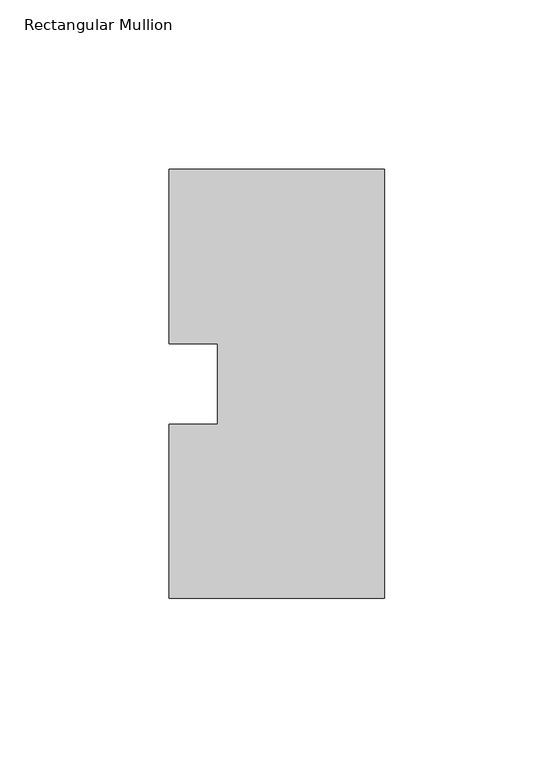
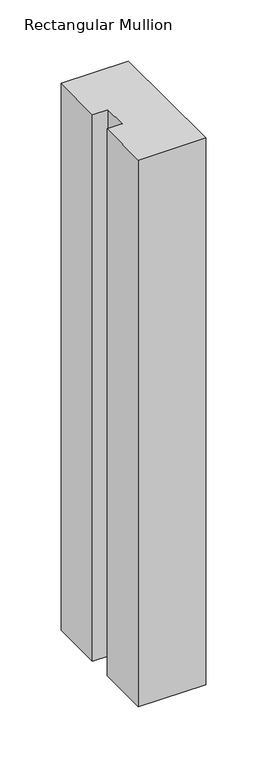
"""IFC4 building model written with IfcOpenShell, lengths in millimetres: member geometry, Rectangular Mullion."""

from ifc_helpers import new_model, si_unit, frame, origin, place, context, project, spatial, polyline, outline, extrude, source, transform, mapped, element, save


def rectangular_mullion_da0acf50(model_context):
    return source(origin(), model_context, "Body", "SweptSolid", [
        extrude(outline(polyline([(0.0, 126.75235), (0.0, 0.26035), (-63.5, 0.26035), (-63.5, 51.60645), (-49.2252, 51.60645), (-49.2252, 75.40625), (-63.5, 75.40625), (-63.5, 126.75235), (0.0, 126.75235)])), frame((0.0, 0.0, -546.1), z_axis=(0.0, 0.0, 1.0), x_axis=(1.0, 0.0, 0.0)), (0.0, 0.0, 1.0), 546.1),
    ])


if __name__ == "__main__":
    model = new_model("IFC4")
    model_context = context("Model", 3, world=origin())
    ifc_project = project(units=[si_unit("LENGTHUNIT", "METRE", prefix="MILLI")], contexts=[model_context])
    site = spatial("IfcSite", under=ifc_project)
    building = spatial("IfcBuilding", under=site)
    placement = place(None, origin())
    rectangular_mullion_shape = rectangular_mullion_da0acf50(model_context)
    element("IfcMember", 1, ObjectType="Rectangular Mullion", at=placement, inside=building, context=model_context, shape_type="MappedRepresentation", body=[
        mapped(rectangular_mullion_shape, transform((0.0, 0.0, 0.0), x_axis=(1.0, 0.0, 0.0), y_axis=(0.0, 1.0, 0.0), z_axis=(0.0, 0.0, 1.0))),
    ])
    save(model, "model.ifc")
